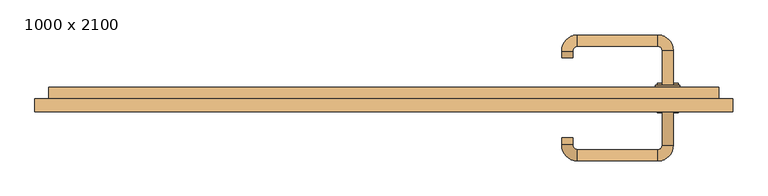
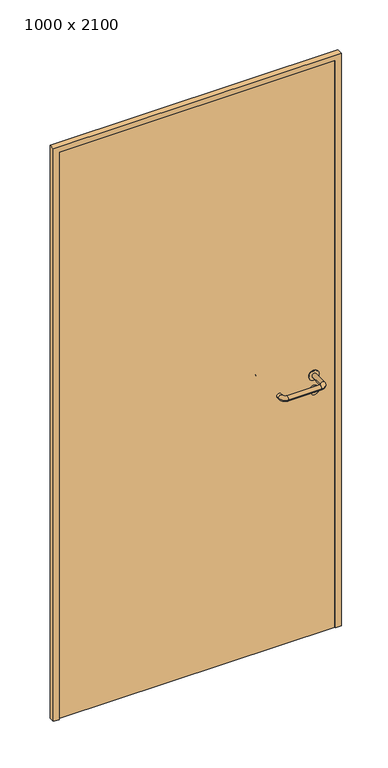
"""IFC4 building model written with IfcOpenShell, lengths in millimetres: door geometry, 1000 x 2100."""

import ifcopenshell
import ifcopenshell.guid

model = None  # the IFC model being written
_history = None  # IfcOwnerHistory: only IFC2X3 demands one
_inside = {}  # id of a spatial element -> (the spatial element, [elements in it])
_under = {}  # id of a project, library or spatial element -> (it, [spatial elements below it])
_declared = {}  # id of a project -> (the project, [libraries it declares])
_typed = {}  # id of a type object -> (the type object, [elements of that type])
_made_of = {}  # id of a material, layer set ... -> (it, [elements and type objects made of it])


def new_model(schema):
    """Start an empty IFC model of exactly this schema.

    Asked for "IFC4X3", IfcOpenShell would pick the latest addendum, in which some entities
    have other attributes; the version numbers below select the first issue.
    IFC2X3 requires an IfcOwnerHistory on every rooted entity: one is made here for all.
    """
    global model, _history
    if schema == "IFC4X3":
        model = ifcopenshell.file(schema_version=(4, 3, 0, 0))
    else:
        model = ifcopenshell.file(schema=schema)
    _inside.clear()
    _under.clear()
    _declared.clear()
    _typed.clear()
    _made_of.clear()
    _history = None
    if model.schema == "IFC2X3":
        org = make("IfcOrganization", Name="unknown")
        user = make(
            "IfcPersonAndOrganization",
            ThePerson=make("IfcPerson", FamilyName="unknown"),
            TheOrganization=org,
        )
        app = make(
            "IfcApplication",
            ApplicationDeveloper=org,
            Version="unknown",
            ApplicationFullName="unknown",
            ApplicationIdentifier="unknown",
        )
        _history = make(
            "IfcOwnerHistory",
            OwningUser=user,
            OwningApplication=app,
            ChangeAction="ADDED",
            CreationDate=0,
        )
    return model


def make(cls, **values):
    """One entity of the class cls with the attributes given. An attribute that is None is left unset."""
    return model.create_entity(
        cls, **{name: value for name, value in values.items() if value is not None}
    )


def rooted(cls, **values):
    """An entity with a GlobalId (a new one), such as an element, a storey or a relation."""
    return make(cls, GlobalId=ifcopenshell.guid.new(), OwnerHistory=_history, **values)


def si_unit(unit_type, name, prefix=None):
    """IfcSIUnit, for example si_unit("LENGTHUNIT", "METRE", prefix="MILLI")."""
    return make("IfcSIUnit", UnitType=unit_type, Prefix=prefix, Name=name)


def assignment(units):
    """IfcUnitAssignment: the units of a project."""
    return None if units is None else make("IfcUnitAssignment", Units=units)


def point(xyz):
    """IfcCartesianPoint."""
    return None if xyz is None else make("IfcCartesianPoint", Coordinates=xyz)


def direction(xyz):
    """IfcDirection."""
    return None if xyz is None else make("IfcDirection", DirectionRatios=xyz)


def frame(location, z_axis=None, x_axis=None):
    """IfcAxis2Placement3D, a coordinate frame: its origin and axes. An axis left out is left unset."""
    return make(
        "IfcAxis2Placement3D",
        Location=point(location),
        Axis=direction(z_axis),
        RefDirection=direction(x_axis),
    )


def frame_2d(location, x_axis=None):
    """IfcAxis2Placement2D, a coordinate frame in the plane: its origin and x axis."""
    return make(
        "IfcAxis2Placement2D", Location=point(location), RefDirection=direction(x_axis)
    )


def origin():
    """The frame at (0, 0, 0) with its axes left unset."""
    return frame((0.0, 0.0, 0.0))


def origin_with_axes():
    """The frame at (0, 0, 0) with the z axis (0, 0, 1) and the x axis (1, 0, 0) written out."""
    return frame((0.0, 0.0, 0.0), z_axis=(0.0, 0.0, 1.0), x_axis=(1.0, 0.0, 0.0))


def place(relative_to, where):
    """IfcLocalPlacement: puts the frame where relative to a parent placement (None: the world)."""
    return make(
        "IfcLocalPlacement", PlacementRelTo=relative_to, RelativePlacement=where
    )


def context(
    kind, dimensions, precision=None, world=None, true_north=None, identifier=None
):
    """IfcGeometricRepresentationContext, for example the 3D "Model" context."""
    return make(
        "IfcGeometricRepresentationContext",
        ContextIdentifier=identifier,
        ContextType=kind,
        CoordinateSpaceDimension=dimensions,
        Precision=precision,
        WorldCoordinateSystem=world,
        TrueNorth=true_north,
    )


def project(units=None, contexts=None):
    """IfcProject with its units and contexts."""
    return rooted(
        "IfcProject",
        Name="project",
        RepresentationContexts=contexts,
        UnitsInContext=assignment(units),
    )


def spatial(cls, under=None, at=None, **own):
    """A site, building, storey or space (cls), placed at a placement, below another one or the project."""
    s = rooted(cls, ObjectPlacement=at, **own)
    if under is not None:
        _under.setdefault(under.id(), (under, []))[1].append(s)
    return s


def polyline(points):
    """IfcPolyline through the points."""
    return make("IfcPolyline", Points=[point(p) for p in points])


def circle_curve(where, radius):
    """IfcCircle in the frame where."""
    return make("IfcCircle", Position=where, Radius=radius)


def ellipse_curve(where, semi_axis1, semi_axis2):
    """IfcEllipse in the frame where."""
    return make(
        "IfcEllipse", Position=where, SemiAxis1=semi_axis1, SemiAxis2=semi_axis2
    )


def trimmed(basis, trim1, trim2, sense, master):
    """IfcTrimmedCurve: the piece of a basis curve between two trims."""
    return make(
        "IfcTrimmedCurve",
        BasisCurve=basis,
        Trim1=trim1,
        Trim2=trim2,
        SenseAgreement=sense,
        MasterRepresentation=master,
    )


def segment(curve, same_sense, transition):
    """IfcCompositeCurveSegment."""
    return make(
        "IfcCompositeCurveSegment",
        Transition=transition,
        SameSense=same_sense,
        ParentCurve=curve,
    )


def composite_curve(segments, self_intersect=None):
    """IfcCompositeCurve: segments joined end to end."""
    return make("IfcCompositeCurve", Segments=segments, SelfIntersect=self_intersect)


def outline(outer, holes=None, kind="AREA"):
    """IfcArbitraryClosedProfileDef: a profile drawn as a closed curve; with holes, ...WithVoids."""
    if holes is None:
        return make("IfcArbitraryClosedProfileDef", ProfileType=kind, OuterCurve=outer)
    return make(
        "IfcArbitraryProfileDefWithVoids",
        ProfileType=kind,
        OuterCurve=outer,
        InnerCurves=holes,
    )


def extrude(swept, where, along, depth):
    """IfcExtrudedAreaSolid: the profile swept, set in the frame where, extruded along a direction by depth."""
    return make(
        "IfcExtrudedAreaSolid",
        SweptArea=swept,
        Position=where,
        ExtrudedDirection=direction(along),
        Depth=depth,
    )


def shape(context_of_items, identifier, shape_type, items):
    """IfcShapeRepresentation: the items that make up one representation, for example the "Body"."""
    return make(
        "IfcShapeRepresentation",
        ContextOfItems=context_of_items,
        RepresentationIdentifier=identifier,
        RepresentationType=shape_type,
        Items=items,
    )


def source(mapping_origin, context_of_items, identifier, shape_type, items):
    """IfcRepresentationMap: a shape defined once, which mapped items show again and again."""
    return make(
        "IfcRepresentationMap",
        MappingOrigin=mapping_origin,
        MappedRepresentation=shape(context_of_items, identifier, shape_type, items),
    )


def transform(
    local_origin,
    x_axis=None,
    y_axis=None,
    z_axis=None,
    scale=None,
    scale2=None,
    scale3=None,
    uniform=True,
):
    """IfcCartesianTransformationOperator3D, or its non-uniform kind. x_axis, y_axis, z_axis: its Axis1, 2, 3."""
    if uniform:
        return make(
            "IfcCartesianTransformationOperator3D",
            Axis1=direction(x_axis),
            Axis2=direction(y_axis),
            LocalOrigin=point(local_origin),
            Scale=scale,
            Axis3=direction(z_axis),
        )
    return make(
        "IfcCartesianTransformationOperator3DnonUniform",
        Axis1=direction(x_axis),
        Axis2=direction(y_axis),
        LocalOrigin=point(local_origin),
        Scale=scale,
        Axis3=direction(z_axis),
        Scale2=scale2,
        Scale3=scale3,
    )


def mapped(mapping_source, mapping_target):
    """IfcMappedItem: shows the shape of a source again, moved by a transform."""
    return make(
        "IfcMappedItem", MappingSource=mapping_source, MappingTarget=mapping_target
    )


def made_of(thing, what):
    """Note that an element or type object is made of a material, layer set ...; save() writes the relation."""
    if what is not None:
        _made_of.setdefault(what.id(), (what, []))[1].append(thing)
    return thing


def element(
    cls,
    number,
    at=None,
    inside=None,
    cuts=None,
    type_object=None,
    material=None,
    context=None,
    identifier="Body",
    shape_type=None,
    held_by="IfcProductDefinitionShape",
    body=None,
    shapes=None,
    **own,
):
    """One element of the class cls, such as IfcWall. Its Tag is "e" and its number.

    at: its placement. inside: the storey or other place that contains it. cuts: it is an
    opening in that element (IfcRelVoidsElement). A single representation is given by context,
    identifier, shape_type and body (its items); several are given by shapes. held_by: the class
    of the entity that holds the representations. save() writes the other relations.
    """
    e = rooted(cls, Tag="e%d" % number, ObjectPlacement=at, **own)
    if body is not None:
        shapes = [shape(context, identifier, shape_type, body)]
    if shapes is not None:
        e.Representation = make(held_by, Representations=shapes)
    if inside is not None:
        _inside.setdefault(inside.id(), (inside, []))[1].append(e)
    if cuts is not None:
        rooted(
            "IfcRelVoidsElement", RelatingBuildingElement=cuts, RelatedOpeningElement=e
        )
    if type_object is not None:
        _typed.setdefault(type_object.id(), (type_object, []))[1].append(e)
    return made_of(e, material)


def aggregate(whole, parts):
    """IfcRelAggregates: a whole, such as a stair, and the parts it consists of."""
    return rooted("IfcRelAggregates", RelatingObject=whole, RelatedObjects=parts)


def save(model, path):
    """Write the relations noted so far, then the file.

    IfcRelAggregates (storeys below a building ...), IfcRelContainedInSpatialStructure (elements
    in a storey), IfcRelDefinesByType, IfcRelAssociatesMaterial and IfcRelDeclares: one each for
    every whole, place, type object, material and project.
    """
    for whole, parts in _under.values():
        aggregate(whole, parts)
    for where, things in _inside.values():
        rooted(
            "IfcRelContainedInSpatialStructure",
            RelatedElements=things,
            RelatingStructure=where,
        )
    for kind, things in _typed.values():
        rooted("IfcRelDefinesByType", RelatedObjects=things, RelatingType=kind)
    for what, things in _made_of.values():
        rooted("IfcRelAssociatesMaterial", RelatedObjects=things, RelatingMaterial=what)
    for by, libraries in _declared.values():
        rooted("IfcRelDeclares", RelatingContext=by, RelatedDefinitions=libraries)
    model.write(path)


def plane_surface(at):
    """IfcPlane: the flat surface through the origin of the frame at, square to its z axis."""
    return make("IfcPlane", Position=at)


def cylinder_surface(at, radius):
    """IfcCylindricalSurface: all points at the distance radius from the z axis of the frame at."""
    return make("IfcCylindricalSurface", Position=at, Radius=radius)


def revolved_surface(curve, axis_point, axis_direction):
    """IfcSurfaceOfRevolution: the curve turned about the line through axis_point along axis_direction."""
    return make(
        "IfcSurfaceOfRevolution",
        SweptCurve=make("IfcArbitraryOpenProfileDef", ProfileType="CURVE", Curve=curve),
        AxisPosition=make("IfcAxis1Placement", Location=point(axis_point), Axis=direction(axis_direction)),
    )


def advanced_brep(points, edges, surfaces, faces):
    """IfcAdvancedBrep: a solid bounded by faces that lie on surfaces and meet in shared edges.

    An edge is (start, end): straight between two places in points (the first is 0);
    or (start, end, curve); or (start, end, curve, False) where it runs against its curve.
    A face is (place in surfaces, loops), or (place, loops, False) where it looks against
    its surface's normal. A loop lists edges by number (the first is 1), with a minus sign
    where the edge is run from its end to its start. The first loop is the outer one.
    """
    corners = [point(p) for p in points]
    vertices = [make("IfcVertexPoint", VertexGeometry=c) for c in corners]
    made = []
    for start, end, *more in edges:
        made.append(
            make(
                "IfcEdgeCurve",
                EdgeStart=vertices[start],
                EdgeEnd=vertices[end],
                EdgeGeometry=more[0] if more else make("IfcPolyline", Points=[corners[start], corners[end]]),
                SameSense=more[1] if len(more) > 1 else True,
            )
        )
    hull = []
    for where, loops, *sense in faces:
        bounds = []
        for j, loop in enumerate(loops):
            ring = [make("IfcOrientedEdge", EdgeElement=made[abs(k) - 1], Orientation=k > 0) for k in loop]
            bounds.append(
                make(
                    "IfcFaceOuterBound" if j == 0 else "IfcFaceBound",
                    Bound=make("IfcEdgeLoop", EdgeList=ring),
                    Orientation=True,
                )
            )
        hull.append(make("IfcAdvancedFace", Bounds=bounds, FaceSurface=surfaces[where], SameSense=sense[0] if sense else True))
    return make("IfcAdvancedBrep", Outer=make("IfcClosedShell", CfsFaces=hull))


def door_1000_x_2100_88e8980e(model_context):
    return source(origin(), model_context, "Body", "SolidModel", [
        extrude(outline(composite_curve([segment(trimmed(circle_curve(frame_2d((897.3605726, 407.0)), 15.0), [point((897.3605726, 422.0))], [point((897.3605726, 392.0))], False, "CARTESIAN"), True, "CONTINUOUS"), segment(trimmed(circle_curve(frame_2d((897.3605726, 407.0)), 15.0), [point((897.3605726, 392.0))], [point((897.3605726, 422.0))], False, "CARTESIAN"), True, "CONTINUOUS")], self_intersect=False), holes=[composite_curve([segment(trimmed(circle_curve(frame_2d((892.5833211, 406.9398032)), 2.0), [point((892.5833211, 408.9398032))], [point((892.5833211, 404.9398032))], True, "CARTESIAN"), True, "CONTINUOUS"), segment(polyline([(892.5833211, 404.9398032), (902.5833211, 404.9398032)]), True, "CONTINUOUS"), segment(trimmed(circle_curve(frame_2d((902.5833211, 406.9398032)), 2.0), [point((902.5833211, 404.9398032))], [point((902.5833211, 408.9398032))], True, "CARTESIAN"), True, "CONTINUOUS"), segment(polyline([(902.5833211, 408.9398032), (892.5833211, 408.9398032)]), True, "CONTINUOUS")], self_intersect=False)]), frame((0.0, 25.0, 0.0), z_axis=(0.0, 1.0, 0.0), x_axis=(0.0, 0.0, 1.0)), (0.0, 0.0, 1.0), 6.35),
        extrude(outline(composite_curve([segment(trimmed(circle_curve(frame_2d((950.0, 407.0)), 17.526), [point((950.0, 424.526))], [point((950.0, 389.474))], False, "CARTESIAN"), True, "CONTINUOUS"), segment(trimmed(circle_curve(frame_2d((950.0, 407.0)), 17.526), [point((950.0, 389.474))], [point((950.0, 424.526))], False, "CARTESIAN"), True, "CONTINUOUS")], self_intersect=False)), frame((0.0, 25.0, 0.0), z_axis=(0.0, 1.0, 0.0), x_axis=(0.0, 0.0, 1.0)), (0.0, 0.0, 1.0), 3.175),
        advanced_brep(
        [(415.0, 25.0, 950.0), (399.0, 25.0, 950.0), (415.0, 78.0, 950.0), (399.0, 78.0, 950.0), (392.8578644, 84.1421356, 950.0), (392.8578644, 100.1421356, 950.0), (277.8578644, 100.1421356, 950.0), (277.8578644, 84.1421356, 950.0), (271.008622, 77.2928932, 950.0), (255.008622, 77.2928932, 950.0), (255.008622, 67.2928932, 950.0), (271.008622, 67.2928932, 950.0)],
        [
            (0, 1, circle_curve(frame((407.0, 25.0, 950.0), z_axis=(0.0, -1.0, 0.0), x_axis=(-1.0, 0.0, 0.0)), 8.0)),
            (1, 0, circle_curve(frame((407.0, 25.0, 950.0), z_axis=(0.0, -1.0, 0.0), x_axis=(-1.0, 0.0, 0.0)), 8.0)),
            (0, 2),
            (2, 3, circle_curve(frame((407.0, 78.0, 950.0), z_axis=(0.0, -1.0, 0.0), x_axis=(-1.0, 0.0, 0.0)), 8.0)),
            (3, 1),
            (3, 2, circle_curve(frame((407.0, 78.0, 950.0), z_axis=(0.0, -1.0, 0.0), x_axis=(-1.0, 0.0, 0.0)), 8.0)),
            (4, 3, circle_curve(frame((392.8578644, 78.0, 950.0), z_axis=(0.0, 0.0, -1.0), x_axis=(1.0, 0.0, 0.0)), 6.1421356)),
            (2, 5, circle_curve(frame((392.8578644, 78.0, 950.0), z_axis=(0.0, 0.0, 1.0), x_axis=(1.0, 0.0, 0.0)), 22.1421356)),
            (5, 4, circle_curve(frame((392.8578644, 92.1421356, 950.0), z_axis=(1.0, 0.0, 0.0), x_axis=(0.0, -1.0, 0.0)), 8.0)),
            (4, 5, circle_curve(frame((392.8578644, 92.1421356, 950.0), z_axis=(1.0, 0.0, 0.0), x_axis=(0.0, -1.0, 0.0)), 8.0)),
            (5, 6),
            (6, 7, circle_curve(frame((277.8578644, 92.1421356, 950.0), z_axis=(1.0, 0.0, 0.0), x_axis=(0.0, -1.0, 0.0)), 8.0)),
            (7, 4),
            (7, 6, circle_curve(frame((277.8578644, 92.1421356, 950.0), z_axis=(1.0, 0.0, 0.0), x_axis=(0.0, -1.0, 0.0)), 8.0)),
            (8, 7, circle_curve(frame((277.8578644, 77.2928932, 950.0), z_axis=(0.0, 0.0, -1.0), x_axis=(0.0, 1.0, 0.0)), 6.8492424)),
            (6, 9, circle_curve(frame((277.8578644, 77.2928932, 950.0), z_axis=(0.0, 0.0, 1.0), x_axis=(0.0, 1.0, 0.0)), 22.8492424)),
            (9, 8, circle_curve(frame((263.008622, 77.2928932, 950.0), z_axis=(0.0, 1.0, 0.0), x_axis=(1.0, 0.0, 0.0)), 8.0)),
            (8, 9, circle_curve(frame((263.008622, 77.2928932, 950.0), z_axis=(0.0, 1.0, 0.0), x_axis=(1.0, 0.0, 0.0)), 8.0)),
            (10, 11, circle_curve(frame((263.008622, 67.2928932, 950.0), z_axis=(0.0, -1.0, 0.0), x_axis=(1.0, 0.0, 0.0)), 8.0)),
            (11, 10, circle_curve(frame((263.008622, 67.2928932, 950.0), z_axis=(0.0, -1.0, 0.0), x_axis=(1.0, 0.0, 0.0)), 8.0)),
            (9, 10),
            (11, 8),
        ],
        [
            plane_surface(frame((407.0, 25.0, 0.0), z_axis=(0.0, -1.0, 0.0), x_axis=(0.0, 0.0, 1.0))),
            cylinder_surface(frame((407.0, 25.0, 950.0), z_axis=(0.0, -1.0, 0.0), x_axis=(-1.0, 0.0, 0.0)), 8.0),
            revolved_surface(trimmed(ellipse_curve(frame((407.0, 78.0, 950.0), z_axis=(0.0, -1.0, 0.0), x_axis=(-1.0, 0.0, 0.0)), 8.0, 8.0), [point((415.0, 78.0, 950.0))], [point((399.0, 78.0, 950.0))], True, "CARTESIAN"), (392.8578644, 78.0, 0.0), (0.0, 0.0, 1.0)),
            revolved_surface(trimmed(ellipse_curve(frame((407.0, 78.0, 950.0), z_axis=(0.0, -1.0, 0.0), x_axis=(-1.0, 0.0, 0.0)), 8.0, 8.0), [point((399.0, 78.0, 950.0))], [point((415.0, 78.0, 950.0))], True, "CARTESIAN"), (392.8578644, 78.0, 0.0), (0.0, 0.0, 1.0)),
            cylinder_surface(frame((392.8578644, 92.1421356, 950.0), z_axis=(1.0, 0.0, 0.0), x_axis=(0.0, -1.0, 0.0)), 8.0),
            revolved_surface(trimmed(ellipse_curve(frame((277.8578644, 92.1421356, 950.0), z_axis=(1.0, 0.0, 0.0), x_axis=(0.0, -1.0, 0.0)), 8.0, 8.0), [point((277.8578644, 100.1421356, 950.0))], [point((277.8578644, 84.1421356, 950.0))], True, "CARTESIAN"), (277.8578644, 77.2928932, 0.0), (0.0, 0.0, 1.0)),
            revolved_surface(trimmed(ellipse_curve(frame((277.8578644, 92.1421356, 950.0), z_axis=(1.0, 0.0, 0.0), x_axis=(0.0, -1.0, 0.0)), 8.0, 8.0), [point((277.8578644, 84.1421356, 950.0))], [point((277.8578644, 100.1421356, 950.0))], True, "CARTESIAN"), (277.8578644, 77.2928932, 0.0), (0.0, 0.0, 1.0)),
            plane_surface(frame((263.008622, 67.2928932, 0.0), z_axis=(0.0, -1.0, 0.0), x_axis=(0.0, 0.0, 1.0))),
            cylinder_surface(frame((263.008622, 77.2928932, 950.0), z_axis=(0.0, 1.0, 0.0), x_axis=(1.0, 0.0, 0.0)), 8.0),
        ],
        [
            (0, [[1, 2]]),
            (1, [[-1, 3, 4, 5]]),
            (1, [[-2, -5, 6, -3]]),
            (2, [[7, -4, 8, 9]]),
            (3, [[-8, -6, -7, 10]]),
            (4, [[-9, 11, 12, 13]]),
            (4, [[-10, -13, 14, -11]]),
            (5, [[15, -12, 16, 17]]),
            (6, [[-16, -14, -15, 18]]),
            (7, [[19, 20]]),
            (8, [[-17, 21, -20, 22]]),
            (8, [[-18, -22, -19, -21]]),
        ],
    ),
        extrude(outline(composite_curve([segment(trimmed(circle_curve(frame_2d((0.0, 15.0)), 15.0), [point((0.0, 30.0))], [point((0.0, 0.0))], False, "CARTESIAN"), True, "CONTINUOUS"), segment(trimmed(circle_curve(frame_2d((0.0, 15.0)), 15.0), [point((0.0, 0.0))], [point((0.0, 30.0))], False, "CARTESIAN"), True, "CONTINUOUS")], self_intersect=False), holes=[composite_curve([segment(trimmed(circle_curve(frame_2d((-4.7772515, 14.9398032)), 2.0), [point((-4.7772515, 16.9398032))], [point((-4.7772515, 12.9398032))], True, "CARTESIAN"), True, "CONTINUOUS"), segment(polyline([(-4.7772515, 12.9398032), (5.2227485, 12.9398032)]), True, "CONTINUOUS"), segment(trimmed(circle_curve(frame_2d((5.2227485, 14.9398032)), 2.0), [point((5.2227485, 12.9398032))], [point((5.2227485, 16.9398032))], True, "CARTESIAN"), True, "CONTINUOUS"), segment(polyline([(5.2227485, 16.9398032), (-4.7772515, 16.9398032)]), True, "CONTINUOUS")], self_intersect=False)]), frame((392.0, -11.35, 897.3605726), z_axis=(-1.8870575173328306e-12, 1.0, 0.0), x_axis=(0.0, 0.0, 1.0)), (0.0, 0.0, 1.0), 6.35),
        extrude(outline(composite_curve([segment(trimmed(circle_curve(frame_2d((0.0, 17.526)), 17.526), [point((0.0, 35.052))], [point((0.0, 0.0))], False, "CARTESIAN"), True, "CONTINUOUS"), segment(trimmed(circle_curve(frame_2d((0.0, 17.526)), 17.526), [point((0.0, 0.0))], [point((0.0, 35.052))], False, "CARTESIAN"), True, "CONTINUOUS")], self_intersect=False)), frame((389.474, -8.175, 950.0), z_axis=(-1.8870575173328306e-12, 1.0, 0.0), x_axis=(0.0, 0.0, 1.0)), (0.0, 0.0, 1.0), 3.175),
        advanced_brep(
        [(415.0, -5.0, 950.0), (399.0, -5.0, 950.0), (399.0, -58.0, 950.0), (415.0, -58.0, 950.0), (392.8578644, -64.1421356, 950.0), (392.8578644, -80.1421356, 950.0), (277.8578644, -64.1421356, 950.0), (277.8578644, -80.1421356, 950.0), (271.008622, -57.2928932, 950.0), (255.008622, -57.2928932, 950.0), (255.008622, -47.2928932, 950.0), (271.008622, -47.2928932, 950.0)],
        [
            (0, 1, circle_curve(frame((407.0, -5.0, 950.0), z_axis=(-1.888672253512351e-12, 1.0, 0.0), x_axis=(-1.0, -1.888672253512351e-12, 0.0)), 8.0)),
            (1, 0, circle_curve(frame((407.0, -5.0, 950.0), z_axis=(-1.888672253512351e-12, 1.0, 0.0), x_axis=(-1.0, -1.888672253512351e-12, 0.0)), 8.0)),
            (1, 2),
            (2, 3, circle_curve(frame((407.0, -58.0, 950.0), z_axis=(-1.888672253512351e-12, 1.0, 0.0), x_axis=(-1.0, -1.888672253512351e-12, 0.0)), 8.0)),
            (3, 0),
            (3, 2, circle_curve(frame((407.0, -58.0, 950.0), z_axis=(-1.888672253512351e-12, 1.0, 0.0), x_axis=(-1.0, -1.888672253512351e-12, 0.0)), 8.0)),
            (4, 5, circle_curve(frame((392.8578644, -72.1421356, 950.0), z_axis=(1.0, 1.913702061528922e-12, 0.0), x_axis=(-1.913702061528922e-12, 1.0, 0.0)), 8.0)),
            (5, 3, circle_curve(frame((392.8578644, -58.0, 950.0), z_axis=(0.0, 0.0, 1.0), x_axis=(1.0, 1.880717803715015e-12, 0.0)), 22.1421356)),
            (2, 4, circle_curve(frame((392.8578644, -58.0, 950.0), z_axis=(0.0, 0.0, -1.0), x_axis=(1.0, 1.880717803715015e-12, 0.0)), 6.1421356)),
            (5, 4, circle_curve(frame((392.8578644, -72.1421356, 950.0), z_axis=(1.0, 1.913702061528922e-12, 0.0), x_axis=(-1.913702061528922e-12, 1.0, 0.0)), 8.0)),
            (4, 6),
            (6, 7, circle_curve(frame((277.8578644, -72.1421356, 950.0), z_axis=(1.0, 1.913719828541269e-12, 0.0), x_axis=(-1.913719828541269e-12, 1.0, 0.0)), 8.0)),
            (7, 5),
            (7, 6, circle_curve(frame((277.8578644, -72.1421356, 950.0), z_axis=(1.0, 1.913719828541269e-12, 0.0), x_axis=(-1.913719828541269e-12, 1.0, 0.0)), 8.0)),
            (8, 9, circle_curve(frame((263.008622, -57.2928932, 950.0), z_axis=(1.8888942981172756e-12, -1.0, 0.0), x_axis=(1.0, 1.8888942981172756e-12, 0.0)), 8.0)),
            (9, 7, circle_curve(frame((277.8578644, -57.2928932, 950.0), z_axis=(0.0, 0.0, 1.0), x_axis=(1.9120873253494017e-12, -1.0, 0.0)), 22.8492424)),
            (6, 8, circle_curve(frame((277.8578644, -57.2928932, 950.0), z_axis=(0.0, 0.0, -1.0), x_axis=(1.9120873253494017e-12, -1.0, 0.0)), 6.8492424)),
            (9, 8, circle_curve(frame((263.008622, -57.2928932, 950.0), z_axis=(1.890448610351751e-12, -1.0, 0.0), x_axis=(1.0, 1.890448610351751e-12, 0.0)), 8.0)),
            (10, 11, circle_curve(frame((263.008622, -47.2928932, 950.0), z_axis=(-1.8903642334018795e-12, 1.0, 0.0), x_axis=(1.0, 1.8903642334018795e-12, 0.0)), 8.0)),
            (11, 10, circle_curve(frame((263.008622, -47.2928932, 950.0), z_axis=(-1.8903642334018795e-12, 1.0, 0.0), x_axis=(1.0, 1.8903642334018795e-12, 0.0)), 8.0)),
            (8, 11),
            (10, 9),
        ],
        [
            plane_surface(frame((407.0, -5.0, 0.0), z_axis=(-1.8870575173328306e-12, 1.0, 0.0), x_axis=(0.0, 0.0, 1.0))),
            cylinder_surface(frame((407.0, -5.0, 950.0), z_axis=(-1.888672253512351e-12, 1.0, 0.0), x_axis=(-1.0, -1.888672253512351e-12, 0.0)), 8.0),
            revolved_surface(trimmed(ellipse_curve(frame((407.0, -58.0, 950.0), z_axis=(1.8823325398945356e-12, -1.0, 0.0), x_axis=(-1.0, -1.8823325398945356e-12, 0.0)), 8.0, 8.0), [point((415.0, -58.0, 950.0))], [point((399.0, -58.0, 950.0))], True, "CARTESIAN"), (392.8578644, -58.0, 0.0), (0.0, 0.0, 1.0)),
            revolved_surface(trimmed(ellipse_curve(frame((407.0, -58.0, 950.0), z_axis=(1.8823325398945356e-12, -1.0, 0.0), x_axis=(-1.0, -1.8823325398945356e-12, 0.0)), 8.0, 8.0), [point((399.0, -58.0, 950.0))], [point((415.0, -58.0, 950.0))], True, "CARTESIAN"), (392.8578644, -58.0, 0.0), (0.0, 0.0, 1.0)),
            cylinder_surface(frame((392.8578644, -72.1421356, 950.0), z_axis=(1.0, 1.913719828541269e-12, 0.0), x_axis=(-1.913719828541269e-12, 1.0, 0.0)), 8.0),
            revolved_surface(trimmed(ellipse_curve(frame((277.8578644, -72.1421356, 950.0), z_axis=(-1.0, -1.913702061528922e-12, 0.0), x_axis=(-1.913702061528922e-12, 1.0, 0.0)), 8.0, 8.0), [point((277.8578644, -80.1421356, 950.0))], [point((277.8578644, -64.1421356, 950.0))], True, "CARTESIAN"), (277.8578644, -57.2928932, 0.0), (0.0, 0.0, 1.0)),
            revolved_surface(trimmed(ellipse_curve(frame((277.8578644, -72.1421356, 950.0), z_axis=(-1.0, -1.913702061528922e-12, 0.0), x_axis=(-1.913702061528922e-12, 1.0, 0.0)), 8.0, 8.0), [point((277.8578644, -64.1421356, 950.0))], [point((277.8578644, -80.1421356, 950.0))], True, "CARTESIAN"), (277.8578644, -57.2928932, 0.0), (0.0, 0.0, 1.0)),
            plane_surface(frame((263.008622, -47.2928932, 0.0), z_axis=(-1.8887494972223595e-12, 1.0, 0.0), x_axis=(0.0, 0.0, 1.0))),
            cylinder_surface(frame((263.008622, -57.2928932, 950.0), z_axis=(1.8903642334018795e-12, -1.0, 0.0), x_axis=(1.0, 1.8903642334018795e-12, 0.0)), 8.0),
        ],
        [
            (0, [[1, 2]]),
            (1, [[3, 4, 5, -2]]),
            (1, [[-5, 6, -3, -1]]),
            (2, [[7, 8, -4, 9]]),
            (3, [[10, -9, -6, -8]]),
            (4, [[11, 12, 13, -7]]),
            (4, [[-13, 14, -11, -10]]),
            (5, [[15, 16, -12, 17]]),
            (6, [[18, -17, -14, -16]]),
            (7, [[19, 20]]),
            (8, [[21, -19, 22, -15]]),
            (8, [[-22, -20, -21, -18]]),
        ],
    ),
        extrude(outline(polyline([(2080.0, 480.0), (0.0, 480.0), (0.0, 500.0), (2100.0, 500.0), (2100.0, -500.0), (0.0, -500.0), (0.0, -480.0), (2080.0, -480.0), (2080.0, 480.0)])), frame((0.0, -10.0, 0.0), z_axis=(0.0, 1.0, 0.0), x_axis=(0.0, 0.0, 1.0)), (0.0, 0.0, 1.0), 19.0),
        extrude(outline(polyline([(-480.0, -5.0), (-480.0, 25.0), (480.0, 25.0), (480.0, -5.0), (-480.0, -5.0)])), origin_with_axes(), (0.0, 0.0, 1.0), 2080.0),
    ])


if __name__ == "__main__":
    model = new_model("IFC4")
    model_context = context("Model", 3, world=origin())
    ifc_project = project(units=[si_unit("LENGTHUNIT", "METRE", prefix="MILLI")], contexts=[model_context])
    site = spatial("IfcSite", under=ifc_project)
    building = spatial("IfcBuilding", under=site)
    placement = place(None, origin())
    door_1000_x_2100_shape = door_1000_x_2100_88e8980e(model_context)
    element("IfcDoor", 1, ObjectType="1000 x 2100", at=placement, inside=building, context=model_context, shape_type="MappedRepresentation", body=[
        mapped(door_1000_x_2100_shape, transform((0.0, 0.0, 0.0), x_axis=(1.0, 0.0, 0.0), y_axis=(0.0, 1.0, 0.0), z_axis=(0.0, 0.0, 1.0))),
    ])
    save(model, "model.ifc")
